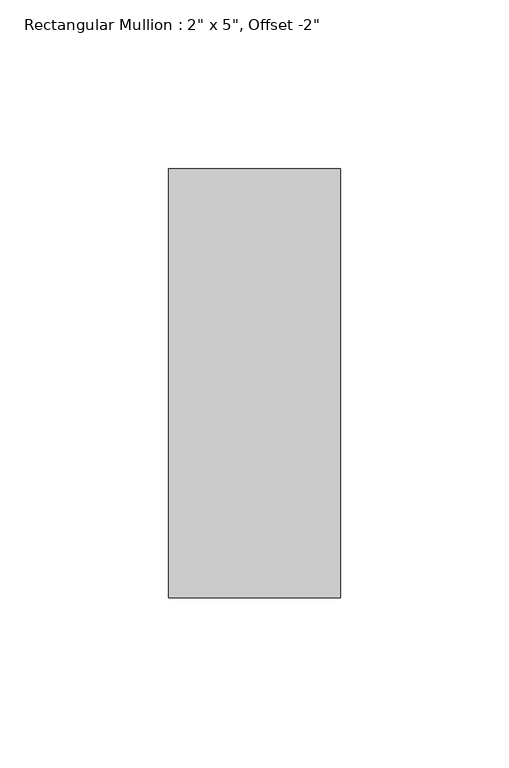
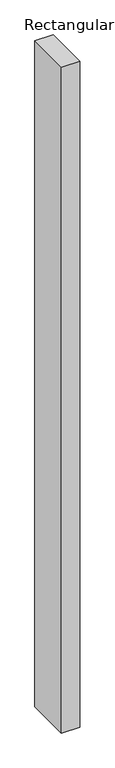
"""IFC4 building model written with IfcOpenShell, lengths in millimetres: member geometry."""

from ifc_helpers import new_model, si_unit, frame, origin, place, context, project, spatial, polyline, outline, extrude, source, transform, mapped, element, save


def member_0b9c37c8(model_context):
    return source(origin(), model_context, "Body", "SweptSolid", [
        extrude(outline(polyline([(0.0, 12.7), (0.0, -114.3), (-50.8, -114.3), (-50.8, 12.7), (0.0, 12.7)])), frame((0.0, 0.0, -1952.3321294), z_axis=(0.0, 0.0, 1.0), x_axis=(1.0, 0.0, 0.0)), (0.0, 0.0, 1.0), 1952.3321294),
    ])


if __name__ == "__main__":
    model = new_model("IFC4")
    model_context = context("Model", 3, world=origin())
    ifc_project = project(units=[si_unit("LENGTHUNIT", "METRE", prefix="MILLI")], contexts=[model_context])
    site = spatial("IfcSite", under=ifc_project)
    building = spatial("IfcBuilding", under=site)
    placement = place(None, origin())
    member_shape = member_0b9c37c8(model_context)
    element("IfcMember", 1, ObjectType="Rectangular Mullion : 2\" x 5\", Offset -2\"", at=placement, inside=building, context=model_context, shape_type="MappedRepresentation", body=[
        mapped(member_shape, transform((0.0, 0.0, 0.0), x_axis=(1.0, 0.0, 0.0), y_axis=(0.0, 1.0, 0.0), z_axis=(0.0, 0.0, 1.0))),
    ])
    save(model, "model.ifc")
